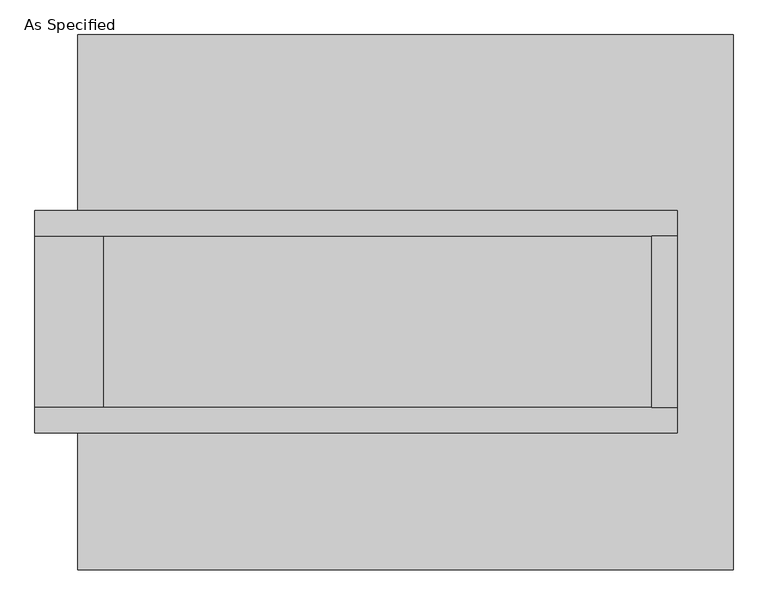
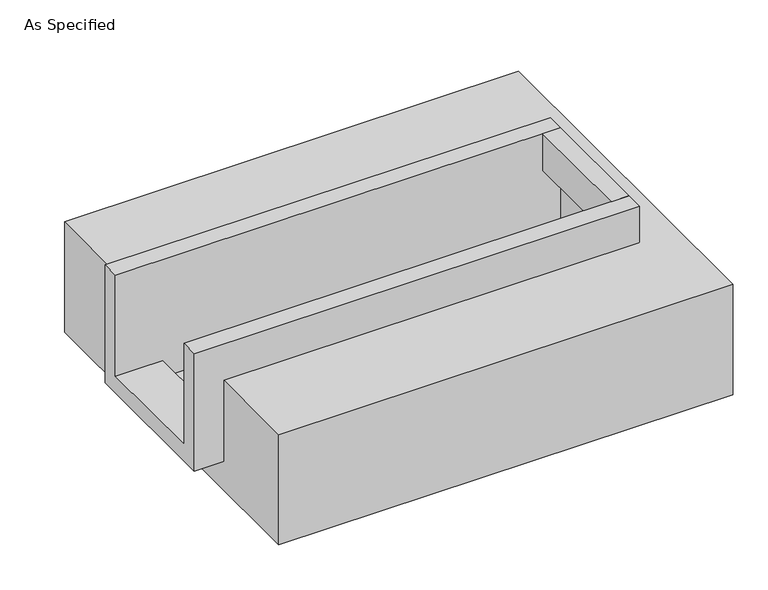
"""IFC4 building model written with IfcOpenShell, lengths in millimetres: proxy geometry, As Specified."""

import ifcopenshell
import ifcopenshell.guid

model = None  # the IFC model being written
_history = None  # IfcOwnerHistory: only IFC2X3 demands one
_inside = {}  # id of a spatial element -> (the spatial element, [elements in it])
_under = {}  # id of a project, library or spatial element -> (it, [spatial elements below it])
_declared = {}  # id of a project -> (the project, [libraries it declares])
_typed = {}  # id of a type object -> (the type object, [elements of that type])
_made_of = {}  # id of a material, layer set ... -> (it, [elements and type objects made of it])


def new_model(schema):
    """Start an empty IFC model of exactly this schema.

    Asked for "IFC4X3", IfcOpenShell would pick the latest addendum, in which some entities
    have other attributes; the version numbers below select the first issue.
    IFC2X3 requires an IfcOwnerHistory on every rooted entity: one is made here for all.
    """
    global model, _history
    if schema == "IFC4X3":
        model = ifcopenshell.file(schema_version=(4, 3, 0, 0))
    else:
        model = ifcopenshell.file(schema=schema)
    _inside.clear()
    _under.clear()
    _declared.clear()
    _typed.clear()
    _made_of.clear()
    _history = None
    if model.schema == "IFC2X3":
        org = make("IfcOrganization", Name="unknown")
        user = make(
            "IfcPersonAndOrganization",
            ThePerson=make("IfcPerson", FamilyName="unknown"),
            TheOrganization=org,
        )
        app = make(
            "IfcApplication",
            ApplicationDeveloper=org,
            Version="unknown",
            ApplicationFullName="unknown",
            ApplicationIdentifier="unknown",
        )
        _history = make(
            "IfcOwnerHistory",
            OwningUser=user,
            OwningApplication=app,
            ChangeAction="ADDED",
            CreationDate=0,
        )
    return model


def make(cls, **values):
    """One entity of the class cls with the attributes given. An attribute that is None is left unset."""
    return model.create_entity(
        cls, **{name: value for name, value in values.items() if value is not None}
    )


def rooted(cls, **values):
    """An entity with a GlobalId (a new one), such as an element, a storey or a relation."""
    return make(cls, GlobalId=ifcopenshell.guid.new(), OwnerHistory=_history, **values)


def si_unit(unit_type, name, prefix=None):
    """IfcSIUnit, for example si_unit("LENGTHUNIT", "METRE", prefix="MILLI")."""
    return make("IfcSIUnit", UnitType=unit_type, Prefix=prefix, Name=name)


def assignment(units):
    """IfcUnitAssignment: the units of a project."""
    return None if units is None else make("IfcUnitAssignment", Units=units)


def point(xyz):
    """IfcCartesianPoint."""
    return None if xyz is None else make("IfcCartesianPoint", Coordinates=xyz)


def direction(xyz):
    """IfcDirection."""
    return None if xyz is None else make("IfcDirection", DirectionRatios=xyz)


def frame(location, z_axis=None, x_axis=None):
    """IfcAxis2Placement3D, a coordinate frame: its origin and axes. An axis left out is left unset."""
    return make(
        "IfcAxis2Placement3D",
        Location=point(location),
        Axis=direction(z_axis),
        RefDirection=direction(x_axis),
    )


def origin():
    """The frame at (0, 0, 0) with its axes left unset."""
    return frame((0.0, 0.0, 0.0))


def place(relative_to, where):
    """IfcLocalPlacement: puts the frame where relative to a parent placement (None: the world)."""
    return make(
        "IfcLocalPlacement", PlacementRelTo=relative_to, RelativePlacement=where
    )


def context(
    kind, dimensions, precision=None, world=None, true_north=None, identifier=None
):
    """IfcGeometricRepresentationContext, for example the 3D "Model" context."""
    return make(
        "IfcGeometricRepresentationContext",
        ContextIdentifier=identifier,
        ContextType=kind,
        CoordinateSpaceDimension=dimensions,
        Precision=precision,
        WorldCoordinateSystem=world,
        TrueNorth=true_north,
    )


def project(units=None, contexts=None):
    """IfcProject with its units and contexts."""
    return rooted(
        "IfcProject",
        Name="project",
        RepresentationContexts=contexts,
        UnitsInContext=assignment(units),
    )


def spatial(cls, under=None, at=None, **own):
    """A site, building, storey or space (cls), placed at a placement, below another one or the project."""
    s = rooted(cls, ObjectPlacement=at, **own)
    if under is not None:
        _under.setdefault(under.id(), (under, []))[1].append(s)
    return s


def polyline(points):
    """IfcPolyline through the points."""
    return make("IfcPolyline", Points=[point(p) for p in points])


def outline(outer, holes=None, kind="AREA"):
    """IfcArbitraryClosedProfileDef: a profile drawn as a closed curve; with holes, ...WithVoids."""
    if holes is None:
        return make("IfcArbitraryClosedProfileDef", ProfileType=kind, OuterCurve=outer)
    return make(
        "IfcArbitraryProfileDefWithVoids",
        ProfileType=kind,
        OuterCurve=outer,
        InnerCurves=holes,
    )


def extrude(swept, where, along, depth):
    """IfcExtrudedAreaSolid: the profile swept, set in the frame where, extruded along a direction by depth."""
    return make(
        "IfcExtrudedAreaSolid",
        SweptArea=swept,
        Position=where,
        ExtrudedDirection=direction(along),
        Depth=depth,
    )


def faces_of(points, faces, orient=None, outer=None):
    """IfcFace entities. A face is a list of loops; a loop is a list of indices into points, from 0.

    orient and outer hold one flag for each loop. By default every Orientation is true, the
    first loop of a face is its IfcFaceOuterBound and the others are IfcFaceBound.
    """
    made = []
    for i, loops in enumerate(faces):
        bounds = []
        for j, loop in enumerate(loops):
            is_outer = j == 0 if outer is None else outer[i][j]
            bounds.append(
                make(
                    "IfcFaceOuterBound" if is_outer else "IfcFaceBound",
                    Bound=make("IfcPolyLoop", Polygon=[points[k] for k in loop]),
                    Orientation=True if orient is None else orient[i][j],
                )
            )
        made.append(make("IfcFace", Bounds=bounds))
    return made


def faceted_brep(points, faces, orient=None, outer=None, voids=None):
    """IfcFacetedBrep: a solid bounded by flat faces; with voids (closed shells), ...WithVoids."""
    shared = [point(p) for p in points]
    hull = make("IfcClosedShell", CfsFaces=faces_of(shared, faces, orient, outer))
    if voids is None:
        return make("IfcFacetedBrep", Outer=hull)
    return make(
        "IfcFacetedBrepWithVoids",
        Outer=hull,
        Voids=[
            make(cls, CfsFaces=faces_of(shared, fs, o, b)) for cls, fs, o, b in voids
        ],
    )


def shape(context_of_items, identifier, shape_type, items):
    """IfcShapeRepresentation: the items that make up one representation, for example the "Body"."""
    return make(
        "IfcShapeRepresentation",
        ContextOfItems=context_of_items,
        RepresentationIdentifier=identifier,
        RepresentationType=shape_type,
        Items=items,
    )


def source(mapping_origin, context_of_items, identifier, shape_type, items):
    """IfcRepresentationMap: a shape defined once, which mapped items show again and again."""
    return make(
        "IfcRepresentationMap",
        MappingOrigin=mapping_origin,
        MappedRepresentation=shape(context_of_items, identifier, shape_type, items),
    )


def transform(
    local_origin,
    x_axis=None,
    y_axis=None,
    z_axis=None,
    scale=None,
    scale2=None,
    scale3=None,
    uniform=True,
):
    """IfcCartesianTransformationOperator3D, or its non-uniform kind. x_axis, y_axis, z_axis: its Axis1, 2, 3."""
    if uniform:
        return make(
            "IfcCartesianTransformationOperator3D",
            Axis1=direction(x_axis),
            Axis2=direction(y_axis),
            LocalOrigin=point(local_origin),
            Scale=scale,
            Axis3=direction(z_axis),
        )
    return make(
        "IfcCartesianTransformationOperator3DnonUniform",
        Axis1=direction(x_axis),
        Axis2=direction(y_axis),
        LocalOrigin=point(local_origin),
        Scale=scale,
        Axis3=direction(z_axis),
        Scale2=scale2,
        Scale3=scale3,
    )


def mapped(mapping_source, mapping_target):
    """IfcMappedItem: shows the shape of a source again, moved by a transform."""
    return make(
        "IfcMappedItem", MappingSource=mapping_source, MappingTarget=mapping_target
    )


def made_of(thing, what):
    """Note that an element or type object is made of a material, layer set ...; save() writes the relation."""
    if what is not None:
        _made_of.setdefault(what.id(), (what, []))[1].append(thing)
    return thing


def element(
    cls,
    number,
    at=None,
    inside=None,
    cuts=None,
    type_object=None,
    material=None,
    context=None,
    identifier="Body",
    shape_type=None,
    held_by="IfcProductDefinitionShape",
    body=None,
    shapes=None,
    **own,
):
    """One element of the class cls, such as IfcWall. Its Tag is "e" and its number.

    at: its placement. inside: the storey or other place that contains it. cuts: it is an
    opening in that element (IfcRelVoidsElement). A single representation is given by context,
    identifier, shape_type and body (its items); several are given by shapes. held_by: the class
    of the entity that holds the representations. save() writes the other relations.
    """
    e = rooted(cls, Tag="e%d" % number, ObjectPlacement=at, **own)
    if body is not None:
        shapes = [shape(context, identifier, shape_type, body)]
    if shapes is not None:
        e.Representation = make(held_by, Representations=shapes)
    if inside is not None:
        _inside.setdefault(inside.id(), (inside, []))[1].append(e)
    if cuts is not None:
        rooted(
            "IfcRelVoidsElement", RelatingBuildingElement=cuts, RelatedOpeningElement=e
        )
    if type_object is not None:
        _typed.setdefault(type_object.id(), (type_object, []))[1].append(e)
    return made_of(e, material)


def aggregate(whole, parts):
    """IfcRelAggregates: a whole, such as a stair, and the parts it consists of."""
    return rooted("IfcRelAggregates", RelatingObject=whole, RelatedObjects=parts)


def save(model, path):
    """Write the relations noted so far, then the file.

    IfcRelAggregates (storeys below a building ...), IfcRelContainedInSpatialStructure (elements
    in a storey), IfcRelDefinesByType, IfcRelAssociatesMaterial and IfcRelDeclares: one each for
    every whole, place, type object, material and project.
    """
    for whole, parts in _under.values():
        aggregate(whole, parts)
    for where, things in _inside.values():
        rooted(
            "IfcRelContainedInSpatialStructure",
            RelatedElements=things,
            RelatingStructure=where,
        )
    for kind, things in _typed.values():
        rooted("IfcRelDefinesByType", RelatedObjects=things, RelatingType=kind)
    for what, things in _made_of.values():
        rooted("IfcRelAssociatesMaterial", RelatedObjects=things, RelatingMaterial=what)
    for by, libraries in _declared.values():
        rooted("IfcRelDeclares", RelatingContext=by, RelatedDefinitions=libraries)
    model.write(path)


def as_specified_86a0706b(model_context):
    return source(origin(), model_context, "Body", "SolidModel", [
        extrude(outline(polyline([(730.25, 196.85), (806.45, 196.85), (806.45, -311.15), (730.25, -311.15), (730.25, 196.85)])), frame((0.0, 0.0, -25.4), z_axis=(0.0, 0.0, 1.0), x_axis=(1.0, 0.0, 0.0)), (0.0, 0.0, 1.0), 165.1),
        faceted_brep([(806.45, 196.85, 139.7), (806.45, 196.85, -317.5), (806.45, -311.15, -317.5), (806.45, -311.15, 139.7), (806.45, -387.35, 139.7), (806.45, -387.35, -393.7), (806.45, 273.05, -393.7), (806.45, 273.05, 139.7), (-1098.55, 196.85, 139.7), (-1098.55, 273.05, 139.7), (-1098.55, 273.05, -393.7), (-1098.55, -387.35, -393.7), (-1098.55, -387.35, 139.7), (-1098.55, -311.15, 139.7), (-1098.55, -311.15, -317.5), (-1098.55, 196.85, -317.5), (-895.35, 196.85, -393.7), (-895.35, -311.15, -393.7), (730.25, -311.15, -393.7), (730.25, 196.85, -393.7), (730.25, -311.15, -317.5), (-895.35, -311.15, -317.5), (730.25, 196.85, -317.5), (-895.35, 196.85, -317.5)], [[[0, 1, 2, 3, 4, 5, 6, 7]], [[8, 9, 10, 11, 12, 13, 14, 15]], [[0, 7, 9, 8]], [[7, 6, 10, 9]], [[6, 5, 11, 10], [16, 17, 18, 19]], [[4, 3, 13, 12]], [[3, 2, 20, 18, 17, 21, 14, 13]], [[2, 1, 22, 20]], [[15, 14, 21, 23]], [[1, 0, 8, 15, 23, 16, 19, 22]], [[21, 17, 16, 23]], [[18, 20, 22, 19]], [[5, 4, 12, 11]]]),
        faceted_brep([(-971.55, 793.75, -523.9742188), (971.55, 793.75, -523.9742188), (971.55, -793.75, -523.9742188), (-971.55, -793.75, -523.9742188), (971.55, 793.75, -25.4), (-971.55, 793.75, -25.4), (-971.55, 273.05, -25.4), (806.45, 273.05, -25.4), (806.45, -387.35, -25.4), (-971.55, -387.35, -25.4), (-971.55, -793.75, -25.4), (971.55, -793.75, -25.4), (-971.55, -387.35, -393.7), (-971.55, 273.05, -393.7), (806.45, 273.05, -393.7), (806.45, -387.35, -393.7)], [[[0, 1, 2, 3]], [[4, 5, 6, 7, 8, 9, 10, 11]], [[1, 0, 5, 4]], [[5, 0, 3, 10, 9, 12, 13, 6]], [[1, 4, 11, 2]], [[3, 2, 11, 10]], [[14, 15, 8, 7]], [[13, 14, 7, 6]], [[15, 14, 13, 12]], [[15, 12, 9, 8]]]),
    ])


if __name__ == "__main__":
    model = new_model("IFC4")
    model_context = context("Model", 3, world=origin())
    ifc_project = project(units=[si_unit("LENGTHUNIT", "METRE", prefix="MILLI")], contexts=[model_context])
    site = spatial("IfcSite", under=ifc_project)
    building = spatial("IfcBuilding", under=site)
    placement = place(None, origin())
    as_specified_shape = as_specified_86a0706b(model_context)
    element("IfcBuildingElementProxy", 1, Name="As Specified", ObjectType="As Specified", at=placement, inside=building, context=model_context, shape_type="MappedRepresentation", body=[
        mapped(as_specified_shape, transform((0.0, 0.0, 0.0), x_axis=(1.0, 0.0, 0.0), y_axis=(0.0, 1.0, 0.0), z_axis=(0.0, 0.0, 1.0))),
    ])
    save(model, "model.ifc")
